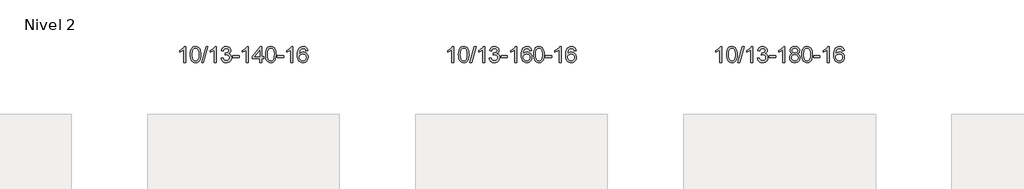
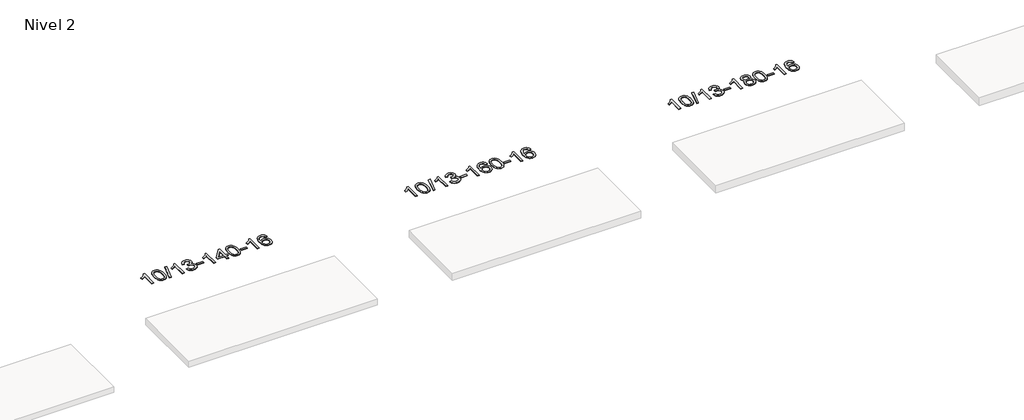
# One storey, part 26 of 51: 3 proxies.
"""IFC4 building model written with IfcOpenShell, lengths in millimetres."""

from ifc_helpers import new_model, si_unit, frame, origin, place, context, project, spatial, polyline, outline, extrude, element, save

model = new_model("IFC4")

# Units and contexts
model_context = context("Model", 3, world=origin())
ifc_project = project(units=[si_unit("LENGTHUNIT", "METRE", prefix="MILLI")], contexts=[model_context])

# Site, building, storey
site = spatial("IfcSite", under=ifc_project)
building = spatial("IfcBuilding", under=site)
storey = spatial("IfcBuildingStorey", under=building, Name="Nivel 2", Elevation=3000.0)

# Proxies
placement = place(None, origin())
element("IfcBuildingElementProxy", 1, Name="Texto de modelo 1", ObjectType="Texto de modelo 1", at=placement, inside=storey, context=model_context, shape_type="SweptSolid", body=[
    extrude(outline(polyline([(31144.4249421, -117522.2088613), (31094.196787, -117522.2088613), (31094.196787, -117209.067707), (31073.2275133, -117226.027067), (31046.6173823, -117242.9619015), (30993.7404768, -117268.3212337), (30993.7404768, -117220.8399309), (31033.1896895, -117199.3801478), (31067.3659268, -117173.8491374), (31094.3071516, -117146.6994461), (31112.0513265, -117120.3836207), (31144.4249421, -117120.3836207), (31144.4249421, -117522.2088613)])), frame((0.0, 0.0, 3000.0), z_axis=(0.0, 0.0, 1.0), x_axis=(1.0, 0.0, 0.0)), (0.0, 0.0, 1.0), 10.0),
    extrude(outline(polyline([(31263.7168104, -117324.5336026), (31267.4078931, -117260.2155671), (31278.4811411, -117208.9205542), (31296.8261899, -117169.8637491), (31308.6842529, -117154.6303688), (31322.3326749, -117142.2603367), (31337.8174413, -117132.6892735), (31355.1845371, -117125.8527997), (31395.5657174, -117120.3836207), (31426.516856, -117123.6209823), (31454.2306329, -117133.333067), (31477.4071986, -117149.13973), (31494.7467033, -117170.6608267), (31507.8433024, -117197.7124161), (31518.291151, -117230.1105572), (31525.1337561, -117271.252027), (31527.4146245, -117324.5336026), (31523.76033, -117388.4837561), (31512.7974466, -117439.6561416), (31494.5627623, -117478.749735), (31482.7322905, -117494.0291005), (31469.0930656, -117506.4635119), (31453.5899051, -117516.0989545), (31436.167627, -117522.9814135), (31395.5657174, -117528.4873807), (31367.9009914, -117526.0961478), (31343.3755251, -117518.9224488), (31321.9893184, -117506.966284), (31303.7423715, -117490.2276532), (31286.2311885, -117459.9693591), (31273.7232006, -117422.267586), (31266.2184079, -117377.1223338), (31263.7168104, -117324.5336026)]), holes=[polyline([(31313.9449655, -117324.4355007), (31315.4164934, -117368.1000279), (31319.8310774, -117403.4442906), (31327.1887173, -117430.4682888), (31337.4894131, -117449.1720226), (31349.94835, -117461.8976739), (31363.7807131, -117470.9874249), (31378.9865022, -117476.4412755), (31395.5657174, -117478.2592256), (31412.1449327, -117476.4351441), (31427.3507218, -117470.9628994), (31441.1830848, -117461.8424916), (31453.6420218, -117449.0739207), (31463.9427176, -117430.3395301), (31471.3003575, -117403.3216632), (31475.7149415, -117368.0203201), (31477.1864694, -117324.4355007), (31475.7639924, -117281.9267362), (31471.4965613, -117247.2048072), (31464.384176, -117220.2697138), (31454.4268367, -117201.1214559), (31442.1763662, -117187.7734709), (31428.1845877, -117178.2391958), (31412.451501, -117172.5186308), (31394.9771063, -117170.6117758), (31378.4837301, -117172.2917703), (31363.5354584, -117177.3317536), (31350.132291, -117185.7317258), (31338.2742281, -117197.4916869), (31327.6301757, -117218.3383333), (31320.0272811, -117246.4445178), (31315.4655444, -117281.8102402), (31313.9449655, -117324.4355007)])]), frame((0.0, 0.0, 3000.0), z_axis=(0.0, 0.0, 1.0), x_axis=(1.0, 0.0, 0.0)), (0.0, 0.0, 1.0), 10.0),
    extrude(outline(polyline([(31546.2501827, -117522.2088613), (31659.2635316, -117120.3836207), (31704.5865934, -117120.3836207), (31591.5732445, -117522.2088613), (31546.2501827, -117522.2088613)])), frame((0.0, 0.0, 3000.0), z_axis=(0.0, 0.0, 1.0), x_axis=(1.0, 0.0, 0.0)), (0.0, 0.0, 1.0), 10.0),
    extrude(outline(polyline([(31916.6828263, -117522.2088613), (31866.4546713, -117522.2088613), (31866.4546713, -117209.067707), (31845.4853975, -117226.027067), (31818.8752666, -117242.9619015), (31765.9983611, -117268.3212337), (31765.9983611, -117220.8399309), (31805.4475737, -117199.3801478), (31839.6238111, -117173.8491374), (31866.5650359, -117146.6994461), (31884.3092108, -117120.3836207), (31916.6828263, -117120.3836207), (31916.6828263, -117522.2088613)])), frame((0.0, 0.0, 3000.0), z_axis=(0.0, 0.0, 1.0), x_axis=(1.0, 0.0, 0.0)), (0.0, 0.0, 1.0), 10.0),
    extrude(outline(polyline([(32035.9746947, -117415.4740318), (32086.2028497, -117409.1955124), (32097.447776, -117440.7597876), (32113.9166267, -117462.0724179), (32136.4187421, -117474.2125237), (32165.7634625, -117478.2592256), (32200.1972173, -117472.6919448), (32214.4710387, -117465.7328437), (32226.7828228, -117455.9901022), (32243.778971, -117431.0722284), (32249.4443537, -117400.8568539), (32243.8280219, -117372.174321), (32226.9790265, -117348.9119161), (32201.4725415, -117333.4976605), (32169.8837409, -117328.3595753), (32134.6651712, -117333.8532798), (32140.2569776, -117283.6251247), (32148.3013305, -117284.2137359), (32178.3940777, -117280.6084924), (32205.2985143, -117269.7927617), (32216.3717624, -117261.6135187), (32224.2812252, -117251.4967638), (32229.026903, -117239.4424971), (32230.6087956, -117225.4507186), (32226.0225334, -117203.7579436), (32212.2637467, -117186.1609215), (32191.2699475, -117174.4990622), (32164.9786476, -117170.6117758), (32138.6382968, -117174.5358504), (32117.1049373, -117186.3080743), (32101.3841134, -117205.9284474), (32092.4813691, -117233.3969697), (32042.253214, -117227.1184503), (32048.206771, -117203.1386756), (32057.0420702, -117182.0161177), (32068.7591118, -117163.7507766), (32083.3578956, -117148.3426524), (32100.3785693, -117136.110576), (32119.3612802, -117127.3733786), (32140.3060285, -117122.1310602), (32163.212814, -117120.3836207), (32194.789352, -117123.8294488), (32223.7907159, -117134.1669328), (32248.2426059, -117150.4763679), (32266.1707218, -117171.8380491), (32277.1703934, -117196.4493546), (32280.8369506, -117222.5076626), (32277.3543344, -117246.7878743), (32266.9064858, -117268.8117431), (32249.6405575, -117287.5737248), (32225.7037023, -117302.0682754), (32257.1453502, -117314.772467), (32280.4445432, -117336.4039283), (32294.8655174, -117365.785437), (32299.6725088, -117401.7397707), (32297.2690131, -117427.2217302), (32290.058526, -117450.6926015), (32278.0410475, -117472.1523845), (32261.2165776, -117491.6010793), (32240.7194191, -117507.7388362), (32217.6838748, -117519.2658054), (32192.1099448, -117526.1819869), (32163.997629, -117528.4873807), (32138.5892458, -117526.519212), (32115.4372056, -117520.614706), (32094.5415083, -117510.7738627), (32075.9021539, -117496.9966819), (32060.2733004, -117480.0925043), (32048.4091061, -117460.87067), (32040.3095708, -117439.3311792), (32035.9746947, -117415.4740318)])), frame((0.0, 0.0, 3000.0), z_axis=(0.0, 0.0, 1.0), x_axis=(1.0, 0.0, 0.0)), (0.0, 0.0, 1.0), 10.0),
    extrude(outline(polyline([(32331.0651057, -117402.916993), (32331.0651057, -117352.688838), (32488.0280903, -117352.688838), (32488.0280903, -117402.916993), (32331.0651057, -117402.916993)])), frame((0.0, 0.0, 3000.0), z_axis=(0.0, 0.0, 1.0), x_axis=(1.0, 0.0, 0.0)), (0.0, 0.0, 1.0), 10.0),
    extrude(outline(polyline([(32720.3333075, -117522.2088613), (32670.1051525, -117522.2088613), (32670.1051525, -117209.067707), (32649.1358787, -117226.027067), (32622.5257478, -117242.9619015), (32569.6488423, -117268.3212337), (32569.6488423, -117220.8399309), (32609.0980549, -117199.3801478), (32643.2742923, -117173.8491374), (32670.2155171, -117146.6994461), (32687.959692, -117120.3836207), (32720.3333075, -117120.3836207), (32720.3333075, -117522.2088613)])), frame((0.0, 0.0, 3000.0), z_axis=(0.0, 0.0, 1.0), x_axis=(1.0, 0.0, 0.0)), (0.0, 0.0, 1.0), 10.0),
    extrude(outline(polyline([(33002.8666798, -117522.2088613), (33002.8666798, -117428.0310706), (32820.7896177, -117428.0310706), (32820.7896177, -117377.8029155), (33015.4237186, -117126.6621401), (33053.0948349, -117126.6621401), (33053.0948349, -117377.8029155), (33103.32299, -117377.8029155), (33103.32299, -117428.0310706), (33053.0948349, -117428.0310706), (33053.0948349, -117522.2088613), (33002.8666798, -117522.2088613)]), holes=[polyline([(33002.8666798, -117377.8029155), (33002.8666798, -117222.6057645), (32882.5937929, -117377.8029155), (33002.8666798, -117377.8029155)])]), frame((0.0, 0.0, 3000.0), z_axis=(0.0, 0.0, 1.0), x_axis=(1.0, 0.0, 0.0)), (0.0, 0.0, 1.0), 10.0),
    extrude(outline(polyline([(33147.2726257, -117324.5336026), (33150.9637084, -117260.2155671), (33162.0369564, -117208.9205542), (33180.3820052, -117169.8637491), (33192.2400682, -117154.6303688), (33205.8884902, -117142.2603367), (33221.3732566, -117132.6892735), (33238.7403524, -117125.8527997), (33279.1215328, -117120.3836207), (33310.0726713, -117123.6209823), (33337.7864483, -117133.333067), (33360.9630139, -117149.13973), (33378.3025187, -117170.6608267), (33391.3991177, -117197.7124161), (33401.8469663, -117230.1105572), (33408.6895715, -117271.252027), (33410.9704398, -117324.5336026), (33407.3161453, -117388.4837561), (33396.3532619, -117439.6561416), (33378.1185777, -117478.749735), (33366.2881058, -117494.0291005), (33352.6488809, -117506.4635119), (33337.1457204, -117516.0989545), (33319.7234423, -117522.9814135), (33279.1215328, -117528.4873807), (33251.4568067, -117526.0961478), (33226.9313404, -117518.9224488), (33205.5451337, -117506.966284), (33187.2981868, -117490.2276532), (33169.7870038, -117459.9693591), (33157.279016, -117422.267586), (33149.7742232, -117377.1223338), (33147.2726257, -117324.5336026)]), holes=[polyline([(33197.5007808, -117324.4355007), (33198.9723087, -117368.1000279), (33203.3868927, -117403.4442906), (33210.7445326, -117430.4682888), (33221.0452284, -117449.1720226), (33233.5041654, -117461.8976739), (33247.3365284, -117470.9874249), (33262.5423175, -117476.4412755), (33279.1215328, -117478.2592256), (33295.700748, -117476.4351441), (33310.9065371, -117470.9628994), (33324.7389002, -117461.8424916), (33337.1978371, -117449.0739207), (33347.4985329, -117430.3395301), (33354.8561728, -117403.3216632), (33359.2707568, -117368.0203201), (33360.7422847, -117324.4355007), (33359.3198077, -117281.9267362), (33355.0523766, -117247.2048072), (33347.9399913, -117220.2697138), (33337.982652, -117201.1214559), (33325.7321815, -117187.7734709), (33311.740403, -117178.2391958), (33296.0073163, -117172.5186308), (33278.5329216, -117170.6117758), (33262.0395454, -117172.2917703), (33247.0912737, -117177.3317536), (33233.6881063, -117185.7317258), (33221.8300434, -117197.4916869), (33211.185991, -117218.3383333), (33203.5830964, -117246.4445178), (33199.0213597, -117281.8102402), (33197.5007808, -117324.4355007)])]), frame((0.0, 0.0, 3000.0), z_axis=(0.0, 0.0, 1.0), x_axis=(1.0, 0.0, 0.0)), (0.0, 0.0, 1.0), 10.0),
    extrude(outline(polyline([(33442.3630367, -117402.916993), (33442.3630367, -117352.688838), (33599.3260214, -117352.688838), (33599.3260214, -117402.916993), (33442.3630367, -117402.916993)])), frame((0.0, 0.0, 3000.0), z_axis=(0.0, 0.0, 1.0), x_axis=(1.0, 0.0, 0.0)), (0.0, 0.0, 1.0), 10.0),
    extrude(outline(polyline([(33831.6312386, -117522.2088613), (33781.4030835, -117522.2088613), (33781.4030835, -117209.067707), (33760.4338098, -117226.027067), (33733.8236788, -117242.9619015), (33680.9467734, -117268.3212337), (33680.9467734, -117220.8399309), (33720.395986, -117199.3801478), (33754.5722233, -117173.8491374), (33781.5134481, -117146.6994461), (33799.257623, -117120.3836207), (33831.6312386, -117120.3836207), (33831.6312386, -117522.2088613)])), frame((0.0, 0.0, 3000.0), z_axis=(0.0, 0.0, 1.0), x_axis=(1.0, 0.0, 0.0)), (0.0, 0.0, 1.0), 10.0),
    extrude(outline(polyline([(34208.3424016, -117227.1184503), (34158.1142466, -117233.3969697), (34150.0208427, -117208.5036213), (34139.0824847, -117191.5074731), (34116.2983264, -117175.8357001), (34088.7562277, -117170.6117758), (34065.4079838, -117173.6529336), (34043.4331659, -117182.7764071), (34024.5608196, -117201.99211), (34009.146564, -117228.4428255), (33998.7355035, -117265.8564244), (33994.8727426, -117317.9607776), (34015.0204132, -117294.4531181), (34039.1657348, -117277.8861656), (34065.9598068, -117268.0637163), (34094.0537285, -117264.7895666), (34118.1867874, -117267.0275154), (34140.4559108, -117273.7413618), (34160.8610988, -117284.9311058), (34179.4023513, -117300.5967474), (34194.8104756, -117319.806319), (34205.8162786, -117341.6278526), (34212.4197604, -117366.0613485), (34214.620921, -117393.1068065), (34210.4761172, -117429.0734029), (34198.0417058, -117462.4157744), (34178.3477563, -117490.6936371), (34152.4243384, -117511.4667071), (34121.4486744, -117524.2322123), (34086.5979867, -117528.4873807), (34056.655458, -117525.6669521), (34029.6130656, -117517.2056662), (34005.4708097, -117503.1035231), (33984.2286902, -117483.3605226), (33966.9106453, -117457.1427991), (33954.5406132, -117423.6164866), (33947.1185939, -117382.7815852), (33944.6445875, -117334.6380947), (33947.3914397, -117280.6636747), (33955.6319964, -117234.5987175), (33969.3662576, -117196.4432232), (33988.5942232, -117166.1971919), (34009.4347382, -117146.1537545), (34033.5984539, -117131.8370135), (34061.0853703, -117123.2469689), (34091.8954874, -117120.3836207), (34115.0291336, -117122.1555857), (34135.9677505, -117127.4714805), (34154.7113381, -117136.3313052), (34171.2598965, -117148.7350598), (34185.1658359, -117164.2658114), (34195.9815666, -117182.506627), (34203.7070885, -117203.4575066), (34208.3424016, -117227.1184503)]), holes=[polyline([(33994.8727426, -117392.3219916), (33997.7790103, -117414.5788523), (34006.4978136, -117435.8301689), (34020.035871, -117454.1016413), (34037.3999012, -117467.4189695), (34058.3569122, -117475.5491616), (34082.6739121, -117478.2592256), (34115.8200798, -117472.6428939), (34129.7352163, -117465.6224791), (34141.8783878, -117455.7938985), (34151.7284283, -117443.5556908), (34158.7641714, -117429.3063948), (34164.3927659, -117394.7745382), (34158.8377478, -117361.6283704), (34151.8939752, -117348.0075396), (34142.1726934, -117336.3548774), (34129.9927337, -117327.0198717), (34115.6729271, -117320.3520106), (34080.6137729, -117315.0177217), (34047.5166561, -117320.3520106), (34019.8396673, -117336.3548774), (34008.9166377, -117347.8542554), (34001.1144738, -117361.0152338), (33996.4331754, -117375.8378125), (33994.8727426, -117392.3219916)])]), frame((0.0, 0.0, 3000.0), z_axis=(0.0, 0.0, 1.0), x_axis=(1.0, 0.0, 0.0)), (0.0, 0.0, 1.0), 10.0),
])
element("IfcBuildingElementProxy", 2, Name="Texto de modelo 1", ObjectType="Texto de modelo 1", at=placement, inside=storey, context=model_context, shape_type="SweptSolid", body=[
    extrude(outline(polyline([(37859.3654769, -117522.2088613), (37809.1373218, -117522.2088613), (37809.1373218, -117209.067707), (37788.1680481, -117226.027067), (37761.5579171, -117242.9619015), (37708.6810117, -117268.3212337), (37708.6810117, -117220.8399309), (37748.1302243, -117199.3801478), (37782.3064616, -117173.8491374), (37809.2476864, -117146.6994461), (37826.9918613, -117120.3836207), (37859.3654769, -117120.3836207), (37859.3654769, -117522.2088613)])), frame((0.0, 0.0, 3000.0), z_axis=(0.0, 0.0, 1.0), x_axis=(1.0, 0.0, 0.0)), (0.0, 0.0, 1.0), 10.0),
    extrude(outline(polyline([(37978.6573452, -117324.5336026), (37982.3484279, -117260.2155671), (37993.4216759, -117208.9205542), (38011.7667248, -117169.8637491), (38023.6247877, -117154.6303688), (38037.2732098, -117142.2603367), (38052.7579761, -117132.6892735), (38070.1250719, -117125.8527997), (38110.5062523, -117120.3836207), (38141.4573908, -117123.6209823), (38169.1711678, -117133.333067), (38192.3477335, -117149.13973), (38209.6872382, -117170.6608267), (38222.7838372, -117197.7124161), (38233.2316859, -117230.1105572), (38240.074291, -117271.252027), (38242.3551593, -117324.5336026), (38238.7008649, -117388.4837561), (38227.7379814, -117439.6561416), (38209.5032972, -117478.749735), (38197.6728253, -117494.0291005), (38184.0336004, -117506.4635119), (38168.53044, -117516.0989545), (38151.1081618, -117522.9814135), (38110.5062523, -117528.4873807), (38082.8415262, -117526.0961478), (38058.3160599, -117518.9224488), (38036.9298532, -117506.966284), (38018.6829063, -117490.2276532), (38001.1717233, -117459.9693591), (37988.6637355, -117422.267586), (37981.1589428, -117377.1223338), (37978.6573452, -117324.5336026)]), holes=[polyline([(38028.8855003, -117324.4355007), (38030.3570283, -117368.1000279), (38034.7716122, -117403.4442906), (38042.1292521, -117430.4682888), (38052.429948, -117449.1720226), (38064.8888849, -117461.8976739), (38078.7212479, -117470.9874249), (38093.927037, -117476.4412755), (38110.5062523, -117478.2592256), (38127.0854675, -117476.4351441), (38142.2912567, -117470.9628994), (38156.1236197, -117461.8424916), (38168.5825566, -117449.0739207), (38178.8832524, -117430.3395301), (38186.2408923, -117403.3216632), (38190.6554763, -117368.0203201), (38192.1270043, -117324.4355007), (38190.7045272, -117281.9267362), (38186.4370961, -117247.2048072), (38179.3247108, -117220.2697138), (38169.3673715, -117201.1214559), (38157.1169011, -117187.7734709), (38143.1251225, -117178.2391958), (38127.3920359, -117172.5186308), (38109.9176411, -117170.6117758), (38093.424265, -117172.2917703), (38078.4759932, -117177.3317536), (38065.0728259, -117185.7317258), (38053.2147629, -117197.4916869), (38042.5707105, -117218.3383333), (38034.9678159, -117246.4445178), (38030.4060792, -117281.8102402), (38028.8855003, -117324.4355007)])]), frame((0.0, 0.0, 3000.0), z_axis=(0.0, 0.0, 1.0), x_axis=(1.0, 0.0, 0.0)), (0.0, 0.0, 1.0), 10.0),
    extrude(outline(polyline([(38261.1907175, -117522.2088613), (38374.2040664, -117120.3836207), (38419.5271282, -117120.3836207), (38306.5137793, -117522.2088613), (38261.1907175, -117522.2088613)])), frame((0.0, 0.0, 3000.0), z_axis=(0.0, 0.0, 1.0), x_axis=(1.0, 0.0, 0.0)), (0.0, 0.0, 1.0), 10.0),
    extrude(outline(polyline([(38631.6233612, -117522.2088613), (38581.3952061, -117522.2088613), (38581.3952061, -117209.067707), (38560.4259324, -117226.027067), (38533.8158014, -117242.9619015), (38480.9388959, -117268.3212337), (38480.9388959, -117220.8399309), (38520.3881086, -117199.3801478), (38554.5643459, -117173.8491374), (38581.5055707, -117146.6994461), (38599.2497456, -117120.3836207), (38631.6233612, -117120.3836207), (38631.6233612, -117522.2088613)])), frame((0.0, 0.0, 3000.0), z_axis=(0.0, 0.0, 1.0), x_axis=(1.0, 0.0, 0.0)), (0.0, 0.0, 1.0), 10.0),
    extrude(outline(polyline([(38750.9152295, -117415.4740318), (38801.1433846, -117409.1955124), (38812.3883109, -117440.7597876), (38828.8571615, -117462.0724179), (38851.3592769, -117474.2125237), (38880.7039974, -117478.2592256), (38915.1377521, -117472.6919448), (38929.4115735, -117465.7328437), (38941.7233576, -117455.9901022), (38958.7195058, -117431.0722284), (38964.3848885, -117400.8568539), (38958.7685568, -117372.174321), (38941.9195614, -117348.9119161), (38916.4130764, -117333.4976605), (38884.8242757, -117328.3595753), (38849.605706, -117333.8532798), (38855.1975124, -117283.6251247), (38863.2418653, -117284.2137359), (38893.3346125, -117280.6084924), (38920.2390491, -117269.7927617), (38931.3122972, -117261.6135187), (38939.2217601, -117251.4967638), (38943.9674378, -117239.4424971), (38945.5493304, -117225.4507186), (38940.9630682, -117203.7579436), (38927.2042816, -117186.1609215), (38906.2104824, -117174.4990622), (38879.9191825, -117170.6117758), (38853.5788316, -117174.5358504), (38832.0454721, -117186.3080743), (38816.3246482, -117205.9284474), (38807.4219039, -117233.3969697), (38757.1937489, -117227.1184503), (38763.1473058, -117203.1386756), (38771.9826051, -117182.0161177), (38783.6996466, -117163.7507766), (38798.2984305, -117148.3426524), (38815.3191041, -117136.110576), (38834.301815, -117127.3733786), (38855.2465633, -117122.1310602), (38878.1533489, -117120.3836207), (38909.7298868, -117123.8294488), (38938.7312507, -117134.1669328), (38963.1831407, -117150.4763679), (38981.1112566, -117171.8380491), (38992.1109282, -117196.4493546), (38995.7774855, -117222.5076626), (38992.2948692, -117246.7878743), (38981.8470206, -117268.8117431), (38964.5810923, -117287.5737248), (38940.6442371, -117302.0682754), (38972.085885, -117314.772467), (38995.385078, -117336.4039283), (39009.8060522, -117365.785437), (39014.6130436, -117401.7397707), (39012.2095479, -117427.2217302), (39004.9990608, -117450.6926015), (38992.9815823, -117472.1523845), (38976.1571124, -117491.6010793), (38955.6599539, -117507.7388362), (38932.6244096, -117519.2658054), (38907.0504796, -117526.1819869), (38878.9381638, -117528.4873807), (38853.5297807, -117526.519212), (38830.3777404, -117520.614706), (38809.4820431, -117510.7738627), (38790.8426887, -117496.9966819), (38775.2138353, -117480.0925043), (38763.3496409, -117460.87067), (38755.2501057, -117439.3311792), (38750.9152295, -117415.4740318)])), frame((0.0, 0.0, 3000.0), z_axis=(0.0, 0.0, 1.0), x_axis=(1.0, 0.0, 0.0)), (0.0, 0.0, 1.0), 10.0),
    extrude(outline(polyline([(39046.0056405, -117402.916993), (39046.0056405, -117352.688838), (39202.9686251, -117352.688838), (39202.9686251, -117402.916993), (39046.0056405, -117402.916993)])), frame((0.0, 0.0, 3000.0), z_axis=(0.0, 0.0, 1.0), x_axis=(1.0, 0.0, 0.0)), (0.0, 0.0, 1.0), 10.0),
    extrude(outline(polyline([(39435.2738424, -117522.2088613), (39385.0456873, -117522.2088613), (39385.0456873, -117209.067707), (39364.0764136, -117226.027067), (39337.4662826, -117242.9619015), (39284.5893771, -117268.3212337), (39284.5893771, -117220.8399309), (39324.0385898, -117199.3801478), (39358.2148271, -117173.8491374), (39385.1560519, -117146.6994461), (39402.9002268, -117120.3836207), (39435.2738424, -117120.3836207), (39435.2738424, -117522.2088613)])), frame((0.0, 0.0, 3000.0), z_axis=(0.0, 0.0, 1.0), x_axis=(1.0, 0.0, 0.0)), (0.0, 0.0, 1.0), 10.0),
    extrude(outline(polyline([(39811.9850054, -117227.1184503), (39761.7568504, -117233.3969697), (39753.6634465, -117208.5036213), (39742.7250885, -117191.5074731), (39719.9409302, -117175.8357001), (39692.3988315, -117170.6117758), (39669.0505876, -117173.6529336), (39647.0757697, -117182.7764071), (39628.2034234, -117201.99211), (39612.7891678, -117228.4428255), (39602.3781073, -117265.8564244), (39598.5153464, -117317.9607776), (39618.663017, -117294.4531181), (39642.8083386, -117277.8861656), (39669.6024106, -117268.0637163), (39697.6963323, -117264.7895666), (39721.8293911, -117267.0275154), (39744.0985146, -117273.7413618), (39764.5037026, -117284.9311058), (39783.0449551, -117300.5967474), (39798.4530794, -117319.806319), (39809.4588824, -117341.6278526), (39816.0623642, -117366.0613485), (39818.2635248, -117393.1068065), (39814.118721, -117429.0734029), (39801.6843096, -117462.4157744), (39781.9903601, -117490.6936371), (39756.0669422, -117511.4667071), (39725.0912782, -117524.2322123), (39690.2405905, -117528.4873807), (39660.2980618, -117525.6669521), (39633.2556694, -117517.2056662), (39609.1134135, -117503.1035231), (39587.871294, -117483.3605226), (39570.553249, -117457.1427991), (39558.183217, -117423.6164866), (39550.7611977, -117382.7815852), (39548.2871913, -117334.6380947), (39551.0340435, -117280.6636747), (39559.2746002, -117234.5987175), (39573.0088614, -117196.4432232), (39592.236827, -117166.1971919), (39613.077342, -117146.1537545), (39637.2410577, -117131.8370135), (39664.7279741, -117123.2469689), (39695.5380912, -117120.3836207), (39718.6717374, -117122.1555857), (39739.6103542, -117127.4714805), (39758.3539419, -117136.3313052), (39774.9025003, -117148.7350598), (39788.8084397, -117164.2658114), (39799.6241704, -117182.506627), (39807.3496923, -117203.4575066), (39811.9850054, -117227.1184503)]), holes=[polyline([(39598.5153464, -117392.3219916), (39601.4216141, -117414.5788523), (39610.1404174, -117435.8301689), (39623.6784748, -117454.1016413), (39641.042505, -117467.4189695), (39661.999516, -117475.5491616), (39686.3165159, -117478.2592256), (39719.4626836, -117472.6428939), (39733.3778201, -117465.6224791), (39745.5209916, -117455.7938985), (39755.3710321, -117443.5556908), (39762.4067752, -117429.3063948), (39768.0353697, -117394.7745382), (39762.4803516, -117361.6283704), (39755.536579, -117348.0075396), (39745.8152972, -117336.3548774), (39733.6353375, -117327.0198717), (39719.3155308, -117320.3520106), (39684.2563767, -117315.0177217), (39651.1592599, -117320.3520106), (39623.4822711, -117336.3548774), (39612.5592415, -117347.8542554), (39604.7570775, -117361.0152338), (39600.0757792, -117375.8378125), (39598.5153464, -117392.3219916)])]), frame((0.0, 0.0, 3000.0), z_axis=(0.0, 0.0, 1.0), x_axis=(1.0, 0.0, 0.0)), (0.0, 0.0, 1.0), 10.0),
    extrude(outline(polyline([(39862.2131605, -117324.5336026), (39865.9042432, -117260.2155671), (39876.9774912, -117208.9205542), (39895.3225401, -117169.8637491), (39907.180603, -117154.6303688), (39920.8290251, -117142.2603367), (39936.3137914, -117132.6892735), (39953.6808872, -117125.8527997), (39994.0620676, -117120.3836207), (40025.0132061, -117123.6209823), (40052.7269831, -117133.333067), (40075.9035488, -117149.13973), (40093.2430535, -117170.6608267), (40106.3396525, -117197.7124161), (40116.7875012, -117230.1105572), (40123.6301063, -117271.252027), (40125.9109746, -117324.5336026), (40122.2566802, -117388.4837561), (40111.2937967, -117439.6561416), (40093.0591125, -117478.749735), (40081.2286407, -117494.0291005), (40067.5894157, -117506.4635119), (40052.0862553, -117516.0989545), (40034.6639771, -117522.9814135), (39994.0620676, -117528.4873807), (39966.3973415, -117526.0961478), (39941.8718752, -117518.9224488), (39920.4856685, -117506.966284), (39902.2387216, -117490.2276532), (39884.7275386, -117459.9693591), (39872.2195508, -117422.267586), (39864.7147581, -117377.1223338), (39862.2131605, -117324.5336026)]), holes=[polyline([(39912.4413156, -117324.4355007), (39913.9128436, -117368.1000279), (39918.3274275, -117403.4442906), (39925.6850674, -117430.4682888), (39935.9857633, -117449.1720226), (39948.4447002, -117461.8976739), (39962.2770632, -117470.9874249), (39977.4828523, -117476.4412755), (39994.0620676, -117478.2592256), (40010.6412828, -117476.4351441), (40025.847072, -117470.9628994), (40039.679435, -117461.8424916), (40052.1383719, -117449.0739207), (40062.4390677, -117430.3395301), (40069.7967077, -117403.3216632), (40074.2112916, -117368.0203201), (40075.6828196, -117324.4355007), (40074.2603425, -117281.9267362), (40069.9929114, -117247.2048072), (40062.8805261, -117220.2697138), (40052.9231868, -117201.1214559), (40040.6727164, -117187.7734709), (40026.6809378, -117178.2391958), (40010.9478512, -117172.5186308), (39993.4734564, -117170.6117758), (39976.9800803, -117172.2917703), (39962.0318085, -117177.3317536), (39948.6286412, -117185.7317258), (39936.7705782, -117197.4916869), (39926.1265258, -117218.3383333), (39918.5236312, -117246.4445178), (39913.9618945, -117281.8102402), (39912.4413156, -117324.4355007)])]), frame((0.0, 0.0, 3000.0), z_axis=(0.0, 0.0, 1.0), x_axis=(1.0, 0.0, 0.0)), (0.0, 0.0, 1.0), 10.0),
    extrude(outline(polyline([(40157.3035716, -117402.916993), (40157.3035716, -117352.688838), (40314.2665562, -117352.688838), (40314.2665562, -117402.916993), (40157.3035716, -117402.916993)])), frame((0.0, 0.0, 3000.0), z_axis=(0.0, 0.0, 1.0), x_axis=(1.0, 0.0, 0.0)), (0.0, 0.0, 1.0), 10.0),
    extrude(outline(polyline([(40546.5717734, -117522.2088613), (40496.3436183, -117522.2088613), (40496.3436183, -117209.067707), (40475.3743446, -117226.027067), (40448.7642136, -117242.9619015), (40395.8873082, -117268.3212337), (40395.8873082, -117220.8399309), (40435.3365208, -117199.3801478), (40469.5127581, -117173.8491374), (40496.4539829, -117146.6994461), (40514.1981578, -117120.3836207), (40546.5717734, -117120.3836207), (40546.5717734, -117522.2088613)])), frame((0.0, 0.0, 3000.0), z_axis=(0.0, 0.0, 1.0), x_axis=(1.0, 0.0, 0.0)), (0.0, 0.0, 1.0), 10.0),
    extrude(outline(polyline([(40923.2829365, -117227.1184503), (40873.0547814, -117233.3969697), (40864.9613775, -117208.5036213), (40854.0230195, -117191.5074731), (40831.2388613, -117175.8357001), (40803.6967626, -117170.6117758), (40780.3485186, -117173.6529336), (40758.3737008, -117182.7764071), (40739.5013544, -117201.99211), (40724.0870988, -117228.4428255), (40713.6760383, -117265.8564244), (40709.8132774, -117317.9607776), (40729.960948, -117294.4531181), (40754.1062696, -117277.8861656), (40780.9003416, -117268.0637163), (40808.9942633, -117264.7895666), (40833.1273222, -117267.0275154), (40855.3964456, -117273.7413618), (40875.8016336, -117284.9311058), (40894.3428862, -117300.5967474), (40909.7510104, -117319.806319), (40920.7568134, -117341.6278526), (40927.3602952, -117366.0613485), (40929.5614558, -117393.1068065), (40925.416652, -117429.0734029), (40912.9822406, -117462.4157744), (40893.2882911, -117490.6936371), (40867.3648732, -117511.4667071), (40836.3892092, -117524.2322123), (40801.5385215, -117528.4873807), (40771.5959928, -117525.6669521), (40744.5536005, -117517.2056662), (40720.4113445, -117503.1035231), (40699.169225, -117483.3605226), (40681.8511801, -117457.1427991), (40669.481148, -117423.6164866), (40662.0591287, -117382.7815852), (40659.5851223, -117334.6380947), (40662.3319745, -117280.6636747), (40670.5725312, -117234.5987175), (40684.3067924, -117196.4432232), (40703.534758, -117166.1971919), (40724.375273, -117146.1537545), (40748.5389888, -117131.8370135), (40776.0259052, -117123.2469689), (40806.8360223, -117120.3836207), (40829.9696684, -117122.1555857), (40850.9082853, -117127.4714805), (40869.6518729, -117136.3313052), (40886.2004313, -117148.7350598), (40900.1063708, -117164.2658114), (40910.9221014, -117182.506627), (40918.6476233, -117203.4575066), (40923.2829365, -117227.1184503)]), holes=[polyline([(40709.8132774, -117392.3219916), (40712.7195452, -117414.5788523), (40721.4383484, -117435.8301689), (40734.9764059, -117454.1016413), (40752.340436, -117467.4189695), (40773.297447, -117475.5491616), (40797.6144469, -117478.2592256), (40830.7606147, -117472.6428939), (40844.6757511, -117465.6224791), (40856.8189227, -117455.7938985), (40866.6689631, -117443.5556908), (40873.7047062, -117429.3063948), (40879.3333008, -117394.7745382), (40873.7782826, -117361.6283704), (40866.83451, -117348.0075396), (40857.1132283, -117336.3548774), (40844.9332685, -117327.0198717), (40830.6134619, -117320.3520106), (40795.5543077, -117315.0177217), (40762.4571909, -117320.3520106), (40734.7802021, -117336.3548774), (40723.8571726, -117347.8542554), (40716.0550086, -117361.0152338), (40711.3737102, -117375.8378125), (40709.8132774, -117392.3219916)])]), frame((0.0, 0.0, 3000.0), z_axis=(0.0, 0.0, 1.0), x_axis=(1.0, 0.0, 0.0)), (0.0, 0.0, 1.0), 10.0),
])
element("IfcBuildingElementProxy", 3, Name="Texto de modelo 1", ObjectType="Texto de modelo 1", at=placement, inside=storey, context=model_context, shape_type="SweptSolid", body=[
    extrude(outline(polyline([(44574.3060117, -117522.2088613), (44524.0778566, -117522.2088613), (44524.0778566, -117209.067707), (44503.1085829, -117226.027067), (44476.4984519, -117242.9619015), (44423.6215465, -117268.3212337), (44423.6215465, -117220.8399309), (44463.0707591, -117199.3801478), (44497.2469965, -117173.8491374), (44524.1882212, -117146.6994461), (44541.9323961, -117120.3836207), (44574.3060117, -117120.3836207), (44574.3060117, -117522.2088613)])), frame((0.0, 0.0, 3000.0), z_axis=(0.0, 0.0, 1.0), x_axis=(1.0, 0.0, 0.0)), (0.0, 0.0, 1.0), 10.0),
    extrude(outline(polyline([(44693.59788, -117324.5336026), (44697.2889627, -117260.2155671), (44708.3622108, -117208.9205542), (44726.7072596, -117169.8637491), (44738.5653226, -117154.6303688), (44752.2137446, -117142.2603367), (44767.6985109, -117132.6892735), (44785.0656068, -117125.8527997), (44825.4467871, -117120.3836207), (44856.3979256, -117123.6209823), (44884.1117026, -117133.333067), (44907.2882683, -117149.13973), (44924.627773, -117170.6608267), (44937.724372, -117197.7124161), (44948.1722207, -117230.1105572), (44955.0148258, -117271.252027), (44957.2956942, -117324.5336026), (44953.6413997, -117388.4837561), (44942.6785162, -117439.6561416), (44924.443832, -117478.749735), (44912.6133602, -117494.0291005), (44898.9741352, -117506.4635119), (44883.4709748, -117516.0989545), (44866.0486966, -117522.9814135), (44825.4467871, -117528.4873807), (44797.7820611, -117526.0961478), (44773.2565947, -117518.9224488), (44751.8703881, -117506.966284), (44733.6234411, -117490.2276532), (44716.1122581, -117459.9693591), (44703.6042703, -117422.267586), (44696.0994776, -117377.1223338), (44693.59788, -117324.5336026)]), holes=[polyline([(44743.8260351, -117324.4355007), (44745.2975631, -117368.1000279), (44749.712147, -117403.4442906), (44757.0697869, -117430.4682888), (44767.3704828, -117449.1720226), (44779.8294197, -117461.8976739), (44793.6617827, -117470.9874249), (44808.8675718, -117476.4412755), (44825.4467871, -117478.2592256), (44842.0260023, -117476.4351441), (44857.2317915, -117470.9628994), (44871.0641545, -117461.8424916), (44883.5230914, -117449.0739207), (44893.8237873, -117430.3395301), (44901.1814272, -117403.3216632), (44905.5960111, -117368.0203201), (44907.0675391, -117324.4355007), (44905.645062, -117281.9267362), (44901.3776309, -117247.2048072), (44894.2652457, -117220.2697138), (44884.3079063, -117201.1214559), (44872.0574359, -117187.7734709), (44858.0656573, -117178.2391958), (44842.3325707, -117172.5186308), (44824.8581759, -117170.6117758), (44808.3647998, -117172.2917703), (44793.416528, -117177.3317536), (44780.0133607, -117185.7317258), (44768.1552977, -117197.4916869), (44757.5112453, -117218.3383333), (44749.9083508, -117246.4445178), (44745.346614, -117281.8102402), (44743.8260351, -117324.4355007)])]), frame((0.0, 0.0, 3000.0), z_axis=(0.0, 0.0, 1.0), x_axis=(1.0, 0.0, 0.0)), (0.0, 0.0, 1.0), 10.0),
    extrude(outline(polyline([(44976.1312523, -117522.2088613), (45089.1446012, -117120.3836207), (45134.467663, -117120.3836207), (45021.4543141, -117522.2088613), (44976.1312523, -117522.2088613)])), frame((0.0, 0.0, 3000.0), z_axis=(0.0, 0.0, 1.0), x_axis=(1.0, 0.0, 0.0)), (0.0, 0.0, 1.0), 10.0),
    extrude(outline(polyline([(45346.563896, -117522.2088613), (45296.3357409, -117522.2088613), (45296.3357409, -117209.067707), (45275.3664672, -117226.027067), (45248.7563362, -117242.9619015), (45195.8794308, -117268.3212337), (45195.8794308, -117220.8399309), (45235.3286434, -117199.3801478), (45269.5048807, -117173.8491374), (45296.4461055, -117146.6994461), (45314.1902804, -117120.3836207), (45346.563896, -117120.3836207), (45346.563896, -117522.2088613)])), frame((0.0, 0.0, 3000.0), z_axis=(0.0, 0.0, 1.0), x_axis=(1.0, 0.0, 0.0)), (0.0, 0.0, 1.0), 10.0),
    extrude(outline(polyline([(45465.8557643, -117415.4740318), (45516.0839194, -117409.1955124), (45527.3288457, -117440.7597876), (45543.7976963, -117462.0724179), (45566.2998117, -117474.2125237), (45595.6445322, -117478.2592256), (45630.0782869, -117472.6919448), (45644.3521084, -117465.7328437), (45656.6638925, -117455.9901022), (45673.6600406, -117431.0722284), (45679.3254234, -117400.8568539), (45673.7090916, -117372.174321), (45656.8600962, -117348.9119161), (45631.3536112, -117333.4976605), (45599.7648105, -117328.3595753), (45564.5462409, -117333.8532798), (45570.1380472, -117283.6251247), (45578.1824002, -117284.2137359), (45608.2751474, -117280.6084924), (45635.1795839, -117269.7927617), (45646.252832, -117261.6135187), (45654.1622949, -117251.4967638), (45658.9079726, -117239.4424971), (45660.4898652, -117225.4507186), (45655.903603, -117203.7579436), (45642.1448164, -117186.1609215), (45621.1510172, -117174.4990622), (45594.8597173, -117170.6117758), (45568.5193664, -117174.5358504), (45546.986007, -117186.3080743), (45531.265183, -117205.9284474), (45522.3624388, -117233.3969697), (45472.1342837, -117227.1184503), (45478.0878406, -117203.1386756), (45486.9231399, -117182.0161177), (45498.6401814, -117163.7507766), (45513.2389653, -117148.3426524), (45530.2596389, -117136.110576), (45549.2423499, -117127.3733786), (45570.1870981, -117122.1310602), (45593.0938837, -117120.3836207), (45624.6704216, -117123.8294488), (45653.6717856, -117134.1669328), (45678.1236755, -117150.4763679), (45696.0517914, -117171.8380491), (45707.0514631, -117196.4493546), (45710.7180203, -117222.5076626), (45707.2354041, -117246.7878743), (45696.7875554, -117268.8117431), (45679.5216271, -117287.5737248), (45655.5847719, -117302.0682754), (45687.0264198, -117314.772467), (45710.3256128, -117336.4039283), (45724.746587, -117365.785437), (45729.5535784, -117401.7397707), (45727.1500827, -117427.2217302), (45719.9395956, -117450.6926015), (45707.9221171, -117472.1523845), (45691.0976472, -117491.6010793), (45670.6004887, -117507.7388362), (45647.5649445, -117519.2658054), (45621.9910144, -117526.1819869), (45593.8786986, -117528.4873807), (45568.4703155, -117526.519212), (45545.3182753, -117520.614706), (45524.4225779, -117510.7738627), (45505.7832235, -117496.9966819), (45490.1543701, -117480.0925043), (45478.2901757, -117460.87067), (45470.1906405, -117439.3311792), (45465.8557643, -117415.4740318)])), frame((0.0, 0.0, 3000.0), z_axis=(0.0, 0.0, 1.0), x_axis=(1.0, 0.0, 0.0)), (0.0, 0.0, 1.0), 10.0),
    extrude(outline(polyline([(45760.9461754, -117402.916993), (45760.9461754, -117352.688838), (45917.90916, -117352.688838), (45917.90916, -117402.916993), (45760.9461754, -117402.916993)])), frame((0.0, 0.0, 3000.0), z_axis=(0.0, 0.0, 1.0), x_axis=(1.0, 0.0, 0.0)), (0.0, 0.0, 1.0), 10.0),
    extrude(outline(polyline([(46150.2143772, -117522.2088613), (46099.9862221, -117522.2088613), (46099.9862221, -117209.067707), (46079.0169484, -117226.027067), (46052.4068174, -117242.9619015), (45999.529912, -117268.3212337), (45999.529912, -117220.8399309), (46038.9791246, -117199.3801478), (46073.1553619, -117173.8491374), (46100.0965867, -117146.6994461), (46117.8407616, -117120.3836207), (46150.2143772, -117120.3836207), (46150.2143772, -117522.2088613)])), frame((0.0, 0.0, 3000.0), z_axis=(0.0, 0.0, 1.0), x_axis=(1.0, 0.0, 0.0)), (0.0, 0.0, 1.0), 10.0),
    extrude(outline(polyline([(46342.6902371, -117300.891053), (46315.7980632, -117287.6473012), (46296.9257169, -117269.6946598), (46285.7788924, -117247.4010109), (46282.0632843, -117221.1342365), (46284.0866352, -117200.6493407), (46290.1566882, -117181.8689649), (46300.273443, -117164.7931089), (46314.4368998, -117149.4217729), (46331.9664769, -117136.7175813), (46352.1815925, -117127.6431588), (46375.0822467, -117122.1985052), (46400.6684395, -117120.3836207), (46426.3772596, -117122.2414248), (46449.4495921, -117127.814837), (46469.8854369, -117137.1038574), (46487.6847941, -117150.1084859), (46502.1057683, -117165.7802589), (46512.4064642, -117183.0707127), (46518.5868817, -117201.9798473), (46520.6470209, -117222.5076626), (46516.9804637, -117247.9283085), (46505.980792, -117269.8418126), (46487.5253786, -117287.6840894), (46461.491596, -117300.891053), (46492.4059464, -117316.8203434), (46514.9080617, -117340.278952), (46528.6300602, -117370.1387073), (46533.2040596, -117405.2714378), (46530.935454, -117430.3242017), (46524.1296371, -117453.2923009), (46512.7866089, -117474.1757355), (46496.9063694, -117492.9745055), (46477.3227846, -117508.5113884), (46454.8697201, -117519.6091619), (46429.5471761, -117526.267826), (46401.3551526, -117528.4873807), (46373.163129, -117526.258629), (46347.840585, -117519.5723737), (46325.3875206, -117508.4286149), (46305.8039357, -117492.8273527), (46289.9236962, -117473.8967583), (46278.580668, -117452.7650034), (46271.7748511, -117429.4320878), (46269.5062455, -117403.8980117), (46274.264186, -117367.4041178), (46288.5380074, -117337.384947), (46311.5919457, -117314.8705689), (46342.6902371, -117300.891053)]), holes=[polyline([(46332.2914393, -117222.6057645), (46336.7428115, -117244.5315314), (46350.0969279, -117262.0427143), (46371.9613812, -117273.5206326), (46401.9437638, -117277.3466053), (46431.2271706, -117273.5451581), (46452.76053, -117262.1408162), (46466.0042819, -117245.2182444), (46470.4188658, -117224.8621074), (46465.8571291, -117203.7334181), (46452.1719188, -117186.2590233), (46430.3442538, -117174.5235877), (46401.3551526, -117170.6117758), (46372.1821104, -117174.4377486), (46350.3912335, -117185.9156668), (46336.8163879, -117202.7401367), (46332.2914393, -117222.6057645)]), polyline([(46319.7344006, -117402.1321781), (46321.8313279, -117421.347881), (46328.1221101, -117439.9504472), (46339.7349184, -117456.1740432), (46357.7979243, -117468.2528354), (46379.4293857, -117475.7576281), (46401.74756, -117478.2592256), (46435.9360601, -117472.9985131), (46449.8297368, -117466.4226225), (46461.5896979, -117457.2163755), (46477.6293529, -117433.3163086), (46482.9759046, -117403.701808), (46477.4576746, -117373.5845353), (46460.9029849, -117349.1571708), (46448.8241927, -117339.7148663), (46434.6607359, -117332.970363), (46400.0798283, -117327.5747604), (46366.3695748, -117332.8967866), (46352.632248, -117339.5493194), (46340.9734544, -117348.8628652), (46325.044164, -117372.8242458), (46319.7344006, -117402.1321781)])]), frame((0.0, 0.0, 3000.0), z_axis=(0.0, 0.0, 1.0), x_axis=(1.0, 0.0, 0.0)), (0.0, 0.0, 1.0), 10.0),
    extrude(outline(polyline([(46577.1536953, -117324.5336026), (46580.844778, -117260.2155671), (46591.9180261, -117208.9205542), (46610.2630749, -117169.8637491), (46622.1211379, -117154.6303688), (46635.7695599, -117142.2603367), (46651.2543262, -117132.6892735), (46668.6214221, -117125.8527997), (46709.0026024, -117120.3836207), (46739.9537409, -117123.6209823), (46767.6675179, -117133.333067), (46790.8440836, -117149.13973), (46808.1835883, -117170.6608267), (46821.2801873, -117197.7124161), (46831.728036, -117230.1105572), (46838.5706411, -117271.252027), (46840.8515095, -117324.5336026), (46837.197215, -117388.4837561), (46826.2343315, -117439.6561416), (46807.9996473, -117478.749735), (46796.1691755, -117494.0291005), (46782.5299505, -117506.4635119), (46767.0267901, -117516.0989545), (46749.6045119, -117522.9814135), (46709.0026024, -117528.4873807), (46681.3378764, -117526.0961478), (46656.81241, -117518.9224488), (46635.4262034, -117506.966284), (46617.1792564, -117490.2276532), (46599.6680734, -117459.9693591), (46587.1600856, -117422.267586), (46579.6552929, -117377.1223338), (46577.1536953, -117324.5336026)]), holes=[polyline([(46627.3818504, -117324.4355007), (46628.8533784, -117368.1000279), (46633.2679623, -117403.4442906), (46640.6256022, -117430.4682888), (46650.9262981, -117449.1720226), (46663.385235, -117461.8976739), (46677.217598, -117470.9874249), (46692.4233872, -117476.4412755), (46709.0026024, -117478.2592256), (46725.5818177, -117476.4351441), (46740.7876068, -117470.9628994), (46754.6199698, -117461.8424916), (46767.0789067, -117449.0739207), (46777.3796026, -117430.3395301), (46784.7372425, -117403.3216632), (46789.1518264, -117368.0203201), (46790.6233544, -117324.4355007), (46789.2008774, -117281.9267362), (46784.9334462, -117247.2048072), (46777.821061, -117220.2697138), (46767.8637216, -117201.1214559), (46755.6132512, -117187.7734709), (46741.6214726, -117178.2391958), (46725.888386, -117172.5186308), (46708.4139912, -117170.6117758), (46691.9206151, -117172.2917703), (46676.9723434, -117177.3317536), (46663.569176, -117185.7317258), (46651.711113, -117197.4916869), (46641.0670606, -117218.3383333), (46633.4641661, -117246.4445178), (46628.9024293, -117281.8102402), (46627.3818504, -117324.4355007)])]), frame((0.0, 0.0, 3000.0), z_axis=(0.0, 0.0, 1.0), x_axis=(1.0, 0.0, 0.0)), (0.0, 0.0, 1.0), 10.0),
    extrude(outline(polyline([(46872.2441064, -117402.916993), (46872.2441064, -117352.688838), (47029.207091, -117352.688838), (47029.207091, -117402.916993), (46872.2441064, -117402.916993)])), frame((0.0, 0.0, 3000.0), z_axis=(0.0, 0.0, 1.0), x_axis=(1.0, 0.0, 0.0)), (0.0, 0.0, 1.0), 10.0),
    extrude(outline(polyline([(47261.5123082, -117522.2088613), (47211.2841531, -117522.2088613), (47211.2841531, -117209.067707), (47190.3148794, -117226.027067), (47163.7047484, -117242.9619015), (47110.827843, -117268.3212337), (47110.827843, -117220.8399309), (47150.2770556, -117199.3801478), (47184.453293, -117173.8491374), (47211.3945177, -117146.6994461), (47229.1386926, -117120.3836207), (47261.5123082, -117120.3836207), (47261.5123082, -117522.2088613)])), frame((0.0, 0.0, 3000.0), z_axis=(0.0, 0.0, 1.0), x_axis=(1.0, 0.0, 0.0)), (0.0, 0.0, 1.0), 10.0),
    extrude(outline(polyline([(47638.2234713, -117227.1184503), (47587.9953162, -117233.3969697), (47579.9019123, -117208.5036213), (47568.9635543, -117191.5074731), (47546.1793961, -117175.8357001), (47518.6372974, -117170.6117758), (47495.2890534, -117173.6529336), (47473.3142356, -117182.7764071), (47454.4418892, -117201.99211), (47439.0276336, -117228.4428255), (47428.6165732, -117265.8564244), (47424.7538122, -117317.9607776), (47444.9014828, -117294.4531181), (47469.0468044, -117277.8861656), (47495.8408764, -117268.0637163), (47523.9347981, -117264.7895666), (47548.067857, -117267.0275154), (47570.3369804, -117273.7413618), (47590.7421684, -117284.9311058), (47609.283421, -117300.5967474), (47624.6915452, -117319.806319), (47635.6973483, -117341.6278526), (47642.3008301, -117366.0613485), (47644.5019907, -117393.1068065), (47640.3571869, -117429.0734029), (47627.9227754, -117462.4157744), (47608.2288259, -117490.6936371), (47582.305408, -117511.4667071), (47551.329744, -117524.2322123), (47516.4790563, -117528.4873807), (47486.5365276, -117525.6669521), (47459.4941353, -117517.2056662), (47435.3518794, -117503.1035231), (47414.1097598, -117483.3605226), (47396.7917149, -117457.1427991), (47384.4216828, -117423.6164866), (47376.9996636, -117382.7815852), (47374.5256571, -117334.6380947), (47377.2725094, -117280.6636747), (47385.5130661, -117234.5987175), (47399.2473272, -117196.4432232), (47418.4752928, -117166.1971919), (47439.3158079, -117146.1537545), (47463.4795236, -117131.8370135), (47490.96644, -117123.2469689), (47521.7765571, -117120.3836207), (47544.9102032, -117122.1555857), (47565.8488201, -117127.4714805), (47584.5924078, -117136.3313052), (47601.1409662, -117148.7350598), (47615.0469056, -117164.2658114), (47625.8626362, -117182.506627), (47633.5881581, -117203.4575066), (47638.2234713, -117227.1184503)]), holes=[polyline([(47424.7538122, -117392.3219916), (47427.66008, -117414.5788523), (47436.3788833, -117435.8301689), (47449.9169407, -117454.1016413), (47467.2809709, -117467.4189695), (47488.2379819, -117475.5491616), (47512.5549817, -117478.2592256), (47545.7011495, -117472.6428939), (47559.616286, -117465.6224791), (47571.7594575, -117455.7938985), (47581.6094979, -117443.5556908), (47588.6452411, -117429.3063948), (47594.2738356, -117394.7745382), (47588.7188175, -117361.6283704), (47581.7750448, -117348.0075396), (47572.0537631, -117336.3548774), (47559.8738034, -117327.0198717), (47545.5539967, -117320.3520106), (47510.4948426, -117315.0177217), (47477.3977257, -117320.3520106), (47449.720737, -117336.3548774), (47438.7977074, -117347.8542554), (47430.9955434, -117361.0152338), (47426.314245, -117375.8378125), (47424.7538122, -117392.3219916)])]), frame((0.0, 0.0, 3000.0), z_axis=(0.0, 0.0, 1.0), x_axis=(1.0, 0.0, 0.0)), (0.0, 0.0, 1.0), 10.0),
])

save(model, "model.ifc")
